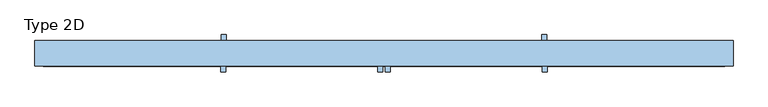
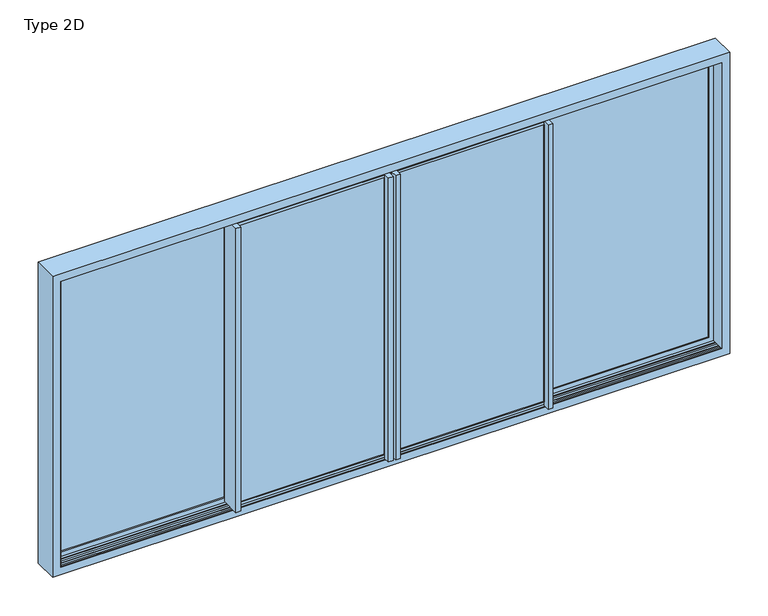
"""IFC4 building model written with IfcOpenShell, lengths in millimetres: window geometry, Type 2D."""

from ifc_helpers import new_model, si_unit, frame, origin, origin_with_axes, place, context, project, spatial, polyline, outline, extrude, faceted_brep, source, transform, mapped, element, save


def type_2d_4e224f77(model_context):
    return source(origin(), model_context, "Body", "SolidModel", [
        extrude(outline(polyline([(2120.2000011, -23.220203), (2120.2000011, -1103.279797), (12.7999989, -1103.279797), (12.7999989, -23.220203), (2120.2000011, -23.220203)]), holes=[polyline([(2101.4202041, -1084.5), (2101.4202041, -42.0), (31.5797959, -42.0), (31.5797959, -1084.5), (2101.4202041, -1084.5)])]), frame((0.0, -17.0, 0.0), z_axis=(0.0, 1.0, 0.0), x_axis=(0.0, 0.0, 1.0)), (0.0, 0.0, 1.0), 7.7200134),
        faceted_brep([(-1115.5, -17.0, -15.1996996), (-1115.5, -17.0, 2148.1996996), (-1115.5, -14.5, 2148.1996996), (-1115.5, -14.5, 2130.2001513), (-1115.5, 47.5000001, 2130.2001513), (-1115.5, 47.5000001, 2148.1996996), (-1115.5, 50.0, 2148.1996996), (-1115.5, 50.0, 2127.2000011), (-1115.5, 69.4999931, 2127.2000011), (-1115.5, 69.4999931, 5.8356019), (-1115.5, 50.0, 5.8356019), (-1115.5, 50.0, -15.1996996), (-1115.5, 47.5000001, -15.1996996), (-1115.5, 47.5000001, 2.7998487), (-1115.5, -14.5, 2.7998487), (-1115.5, -14.5, -15.1996996), (-3.0, -14.5, -15.1996996), (-3.0, -17.0, -15.1996996), (-3.0, -14.5, 2.7998487), (-3.0, 47.5000001, 2.7998487), (-3.0, 47.5000001, -15.1996996), (-3.0, 50.0, -15.1996996), (-1100.0, 50.0, 5.8356019), (-1100.0, 50.0, 2127.2000011), (-3.0, 50.0, 2148.1996996), (-3.0, 50.0, 2127.2000011), (-44.3, 50.0, 2127.2000011), (-44.3, 50.0, 2101.4202041), (-1082.2, 50.0, 2101.4202041), (-1082.2, 50.0, 31.5797959), (-44.3, 50.0, 31.5797959), (-44.3, 50.0, 5.8356019), (-3.0, 50.0, 5.8356019), (-1100.0, 69.4999931, 5.8356019), (-1100.0, 69.4999931, 2127.2000011), (-3.0, -17.0, 2148.1996996), (-1103.279797, -17.0, 12.7999989), (-1103.279797, -17.0, 2120.2000011), (-23.220203, -17.0, 2120.2000011), (-23.220203, -17.0, 12.7999989), (-3.0, 40.0, 5.8356019), (-3.0, 40.0, 2127.2000011), (-3.0, 47.5000001, 2148.1996996), (-3.0, 47.5000001, 2130.2001513), (-3.0, -14.5, 2130.2001513), (-3.0, -14.5, 2148.1996996), (-44.3, 58.2200283, 5.8356019), (0.0, 58.2200283, 5.8356019), (0.0, 40.0, 5.8356019), (-44.3, 40.0, 31.5797959), (-44.3, 40.0, 2101.4202041), (-44.3, 58.2200283, 2127.2000011), (-1082.2, 40.0, 31.5797959), (-1082.2, 40.0, 2101.4202041), (-1103.279797, 40.0, 12.7999989), (-23.220203, 40.0, 12.7999989), (-23.220203, 40.0, 2120.2000011), (-1103.279797, 40.0, 2120.2000011), (0.0, 40.0, 2127.2000011), (0.0, 58.2200283, 2127.2000011)], [[[0, 1, 2, 3, 4, 5, 6, 7, 8, 9, 10, 11, 12, 13, 14, 15]], [[15, 16, 17, 0]], [[14, 18, 16, 15]], [[13, 19, 18, 14]], [[12, 20, 19, 13]], [[11, 21, 20, 12]], [[11, 10, 22, 23, 7, 6, 24, 25, 26, 27, 28, 29, 30, 31, 32, 21]], [[22, 10, 9, 33]], [[34, 33, 9, 8]], [[35, 1, 0, 17], [36, 37, 38, 39]], [[21, 32, 40, 41, 25, 24, 42, 43, 44, 45, 35, 17, 16, 18, 19, 20]], [[40, 32, 31, 46, 47, 48]], [[23, 22, 33, 34]], [[46, 31, 30, 49, 50, 27, 26, 51]], [[52, 49, 30, 29]], [[29, 28, 53, 52]], [[54, 55, 56, 57], [53, 50, 49, 52]], [[54, 57, 37, 36]], [[55, 39, 38, 56]], [[36, 39, 55, 54]], [[8, 7, 23, 34]], [[28, 27, 50, 53]], [[56, 38, 37, 57]], [[1, 35, 45, 2]], [[2, 45, 44, 3]], [[3, 44, 43, 4]], [[4, 43, 42, 5]], [[5, 42, 24, 6]], [[51, 26, 25, 41, 58, 59]], [[59, 47, 46, 51]], [[40, 48, 58, 41]], [[58, 48, 47, 59]]]),
        extrude(outline(polyline([(-23.220203, 40.0), (-23.220203, -9.2799866), (-1103.279797, -9.2799866), (-1103.279797, 40.0), (-23.220203, 40.0)])), frame((0.0, 0.0, 12.7999989), z_axis=(0.0, 0.0, 1.0), x_axis=(1.0, 0.0, 0.0)), (0.0, 0.0, 1.0), 2107.4000022),
        extrude(outline(polyline([(-1084.5, -17.0), (-1084.5, -66.0000069), (-1118.5, -66.0000069), (-1118.5, 69.4999931), (-1115.5, 69.4999931), (-1115.5, -17.0), (-1084.5, -17.0)])), frame((0.0, 0.0, 5.8356019), z_axis=(0.0, 0.0, 1.0), x_axis=(1.0, 0.0, 0.0)), (0.0, 0.0, 1.0), 2121.3643992),
        extrude(outline(polyline([(-42.0, -17.0), (-3.0, -17.0), (-3.0, 40.0), (0.0, 40.0), (0.0, -19.2799717), (-8.0, -19.2799717), (-8.0, -66.0000069), (-42.0, -66.0000069), (-42.0, -17.0)])), frame((0.0, 0.0, 5.8356019), z_axis=(0.0, 0.0, 1.0), x_axis=(1.0, 0.0, 0.0)), (0.0, 0.0, 1.0), 2121.3643992),
        extrude(outline(polyline([(2120.2000011, 1096.720203), (12.7999989, 1096.720203), (12.7999989, 2317.5000011), (2120.2000011, 2317.5000011), (2120.2000011, 1096.720203)]), holes=[polyline([(2101.4202041, 2298.7202041), (31.5797959, 2298.7202041), (31.5797959, 1115.5), (2101.4202041, 1115.5), (2101.4202041, 2298.7202041)])]), frame((0.0, 132.2799866, 0.0), z_axis=(0.0, 1.0, 0.0), x_axis=(0.0, 0.0, 1.0)), (0.0, 0.0, 1.0), 7.7200134),
        faceted_brep([(2298.7202041, 73.0, 31.5797959), (2298.7202041, 83.0, 31.5797959), (1117.8, 83.0, 31.5797959), (1117.8, 73.0, 31.5797959), (1096.720203, 83.0, 12.7999989), (2317.5000011, 83.0, 12.7999989), (2317.5000011, 140.0, 12.7999989), (1096.720203, 140.0, 12.7999989), (1084.5, 137.5, -15.1996996), (1084.5, 140.0, -15.1996996), (2351.599999, 140.0, -15.1996996), (2351.599999, 73.0, -15.1996996), (1084.5, 73.0, -15.1996996), (1084.5, 75.4999999, -15.1996996), (2345.4996996, 75.4999999, -15.1996996), (2345.4996996, 137.5, -15.1996996), (1084.5, 137.5, 2.7998487), (1084.5, 75.4999999, 2.7998487), (1084.5, 73.0, 5.8356019), (1084.5, 53.5000069, 5.8356019), (1084.5, 53.5000069, 2127.2000011), (1084.5, 73.0, 2127.2000011), (1084.5, 73.0, 2148.1996996), (1084.5, 75.4999999, 2148.1996996), (1084.5, 75.4999999, 2130.2001513), (1084.5, 137.5, 2130.2001513), (1084.5, 137.5, 2148.1996996), (1084.5, 140.0, 2148.1996996), (2351.599999, 140.0, 2148.1996996), (2317.5000011, 140.0, 2120.2000011), (1096.720203, 140.0, 2120.2000011), (1100.0, 73.0, 5.8356019), (2351.599999, 73.0, 2148.1996996), (1100.0, 73.0, 2127.2000011), (2298.7202041, 73.0, 2101.4202041), (1117.8, 73.0, 2101.4202041), (2317.5000011, 83.0, 2120.2000011), (1096.720203, 83.0, 2120.2000011), (2298.7202041, 83.0, 2101.4202041), (1117.8, 83.0, 2101.4202041), (2345.4996996, 137.5, 2148.1996996), (2327.5001513, 137.5, 2130.2001513), (2327.5001513, 137.5, 2.7998487), (2327.5001513, 75.4999999, 2.7998487), (2327.5001513, 75.4999999, 2130.2001513), (2345.4996996, 75.4999999, 2148.1996996), (1100.0, 53.5000069, 5.8356019), (1100.0, 53.5000069, 2127.2000011)], [[[0, 1, 2, 3]], [[4, 5, 6, 7]], [[8, 9, 10, 11, 12, 13, 14, 15]], [[9, 8, 16, 17, 13, 12, 18, 19, 20, 21, 22, 23, 24, 25, 26, 27]], [[9, 27, 28, 10], [6, 29, 30, 7]], [[31, 18, 12, 11, 32, 22, 21, 33], [34, 0, 3, 35]], [[36, 5, 4, 37], [1, 38, 39, 2]], [[16, 8, 15, 40, 26, 25, 41, 42]], [[17, 16, 42, 43]], [[13, 17, 43, 44, 24, 23, 45, 14]], [[31, 46, 19, 18]], [[47, 20, 19, 46]], [[0, 34, 38, 1]], [[2, 39, 35, 3]], [[11, 10, 28, 32]], [[31, 33, 47, 46]], [[5, 36, 29, 6]], [[37, 4, 7, 30]], [[15, 14, 45, 40]], [[42, 41, 44, 43]], [[20, 47, 33, 21]], [[23, 22, 32, 28, 27, 26, 40, 45]], [[25, 24, 44, 41]], [[38, 34, 35, 39]], [[29, 36, 37, 30]]]),
        extrude(outline(polyline([(2317.5000011, 83.0), (1096.720203, 83.0), (1096.720203, 132.2799866), (2317.5000011, 132.2799866), (2317.5000011, 83.0)])), frame((0.0, 0.0, 12.7999989), z_axis=(0.0, 0.0, 1.0), x_axis=(1.0, 0.0, 0.0)), (0.0, 0.0, 1.0), 2107.4000022),
        extrude(outline(polyline([(1115.5, 140.0), (1084.5, 140.0), (1084.5, 53.5000069), (1081.5, 53.5000069), (1081.5, 189.0000069), (1115.5, 189.0000069), (1115.5, 140.0)])), frame((0.0, 0.0, 5.8356019), z_axis=(0.0, 0.0, 1.0), x_axis=(1.0, 0.0, 0.0)), (0.0, 0.0, 1.0), 2121.3643992),
        extrude(outline(polyline([(2120.2000011, -1096.720203), (2120.2000011, -2317.5000011), (12.7999989, -2317.5000011), (12.7999989, -1096.720203), (2120.2000011, -1096.720203)]), holes=[polyline([(2101.4202041, -2298.7202041), (2101.4202041, -1115.5), (31.5797959, -1115.5), (31.5797959, -2298.7202041), (2101.4202041, -2298.7202041)])]), frame((0.0, 132.2799866, 0.0), z_axis=(0.0, 1.0, 0.0), x_axis=(0.0, 0.0, 1.0)), (0.0, 0.0, 1.0), 7.7200134),
        faceted_brep([(-2298.7202041, 73.0, 31.5797959), (-1117.8, 73.0, 31.5797959), (-1117.8, 83.0, 31.5797959), (-2298.7202041, 83.0, 31.5797959), (-1096.720203, 83.0, 12.7999989), (-1096.720203, 140.0, 12.7999989), (-2317.5000011, 140.0, 12.7999989), (-2317.5000011, 83.0, 12.7999989), (-1084.5, 137.5, -15.1996996), (-2345.4996996, 137.5, -15.1996996), (-2345.4996996, 75.4999999, -15.1996996), (-1084.5, 75.4999999, -15.1996996), (-1084.5, 73.0, -15.1996996), (-2351.599999, 73.0, -15.1996996), (-2351.599999, 140.0, -15.1996996), (-1084.5, 140.0, -15.1996996), (-1084.5, 140.0, 2148.1996996), (-1084.5, 137.5, 2148.1996996), (-1084.5, 137.5, 2130.2001513), (-1084.5, 75.4999999, 2130.2001513), (-1084.5, 75.4999999, 2148.1996996), (-1084.5, 73.0, 2148.1996996), (-1084.5, 73.0, 2127.2000011), (-1084.5, 53.5000069, 2127.2000011), (-1084.5, 53.5000069, 5.8356019), (-1084.5, 73.0, 5.8356019), (-1084.5, 75.4999999, 2.7998487), (-1084.5, 137.5, 2.7998487), (-2351.599999, 140.0, 2148.1996996), (-1096.720203, 140.0, 2120.2000011), (-2317.5000011, 140.0, 2120.2000011), (-1100.0, 73.0, 5.8356019), (-1100.0, 73.0, 2127.2000011), (-2351.599999, 73.0, 2148.1996996), (-2298.7202041, 73.0, 2101.4202041), (-1117.8, 73.0, 2101.4202041), (-2317.5000011, 83.0, 2120.2000011), (-1096.720203, 83.0, 2120.2000011), (-1117.8, 83.0, 2101.4202041), (-2298.7202041, 83.0, 2101.4202041), (-2327.5001513, 137.5, 2.7998487), (-2327.5001513, 137.5, 2130.2001513), (-2345.4996996, 137.5, 2148.1996996), (-2327.5001513, 75.4999999, 2.7998487), (-2345.4996996, 75.4999999, 2148.1996996), (-2327.5001513, 75.4999999, 2130.2001513), (-1100.0, 53.5000069, 5.8356019), (-1100.0, 53.5000069, 2127.2000011)], [[[0, 1, 2, 3]], [[4, 5, 6, 7]], [[8, 9, 10, 11, 12, 13, 14, 15]], [[15, 16, 17, 18, 19, 20, 21, 22, 23, 24, 25, 12, 11, 26, 27, 8]], [[15, 14, 28, 16], [6, 5, 29, 30]], [[31, 32, 22, 21, 33, 13, 12, 25], [34, 35, 1, 0]], [[36, 37, 4, 7], [3, 2, 38, 39]], [[27, 40, 41, 18, 17, 42, 9, 8]], [[26, 43, 40, 27]], [[11, 10, 44, 20, 19, 45, 43, 26]], [[31, 25, 24, 46]], [[47, 46, 24, 23]], [[0, 3, 39, 34]], [[2, 1, 35, 38]], [[13, 33, 28, 14]], [[31, 46, 47, 32]], [[7, 6, 30, 36]], [[37, 29, 5, 4]], [[9, 42, 44, 10]], [[40, 43, 45, 41]], [[23, 22, 32, 47]], [[20, 44, 42, 17, 16, 28, 33, 21]], [[18, 41, 45, 19]], [[39, 38, 35, 34]], [[30, 29, 37, 36]]]),
        extrude(outline(polyline([(-2317.5000011, 83.0), (-2317.5000011, 132.2799866), (-1096.720203, 132.2799866), (-1096.720203, 83.0), (-2317.5000011, 83.0)])), frame((0.0, 0.0, 12.7999989), z_axis=(0.0, 0.0, 1.0), x_axis=(1.0, 0.0, 0.0)), (0.0, 0.0, 1.0), 2107.4000022),
        extrude(outline(polyline([(-1115.5, 140.0), (-1115.5, 189.0000069), (-1081.5, 189.0000069), (-1081.5, 53.5000069), (-1084.5, 53.5000069), (-1084.5, 140.0), (-1115.5, 140.0)])), frame((0.0, 0.0, 5.8356019), z_axis=(0.0, 0.0, 1.0), x_axis=(1.0, 0.0, 0.0)), (0.0, 0.0, 1.0), 2121.3643992),
        extrude(outline(polyline([(2120.2000011, 23.220203), (12.7999989, 23.220203), (12.7999989, 1103.279797), (2120.2000011, 1103.279797), (2120.2000011, 23.220203)]), holes=[polyline([(2101.4202041, 1084.5), (31.5797959, 1084.5), (31.5797959, 42.0), (2101.4202041, 42.0), (2101.4202041, 1084.5)])]), frame((0.0, -17.0, 0.0), z_axis=(0.0, 1.0, 0.0), x_axis=(0.0, 0.0, 1.0)), (0.0, 0.0, 1.0), 7.7200134),
        faceted_brep([(1115.5, -17.0, -15.1996996), (1115.5, -14.5, -15.1996996), (1115.5, -14.5, 2.7998487), (1115.5, 47.5000001, 2.7998487), (1115.5, 47.5000001, -15.1996996), (1115.5, 50.0, -15.1996996), (1115.5, 50.0, 5.8356019), (1115.5, 69.4999931, 5.8356019), (1115.5, 69.4999931, 2127.2000011), (1115.5, 50.0, 2127.2000011), (1115.5, 50.0, 2148.1996996), (1115.5, 47.5000001, 2148.1996996), (1115.5, 47.5000001, 2130.2001513), (1115.5, -14.5, 2130.2001513), (1115.5, -14.5, 2148.1996996), (1115.5, -17.0, 2148.1996996), (3.0, -17.0, -15.1996996), (3.0, -14.5, -15.1996996), (3.0, -14.5, 2.7998487), (3.0, 47.5000001, 2.7998487), (3.0, 47.5000001, -15.1996996), (3.0, 50.0, -15.1996996), (3.0, 50.0, 5.8356019), (44.3, 50.0, 5.8356019), (44.3, 50.0, 31.5797959), (1082.2, 50.0, 31.5797959), (1082.2, 50.0, 2101.4202041), (44.3, 50.0, 2101.4202041), (44.3, 50.0, 2127.2000011), (3.0, 50.0, 2127.2000011), (3.0, 50.0, 2148.1996996), (1100.0, 50.0, 2127.2000011), (1100.0, 50.0, 5.8356019), (1100.0, 69.4999931, 5.8356019), (1100.0, 69.4999931, 2127.2000011), (3.0, -17.0, 2148.1996996), (1103.279797, -17.0, 12.7999989), (23.220203, -17.0, 12.7999989), (23.220203, -17.0, 2120.2000011), (1103.279797, -17.0, 2120.2000011), (3.0, -14.5, 2148.1996996), (3.0, -14.5, 2130.2001513), (3.0, 47.5000001, 2130.2001513), (3.0, 47.5000001, 2148.1996996), (3.0, 40.0, 2127.2000011), (3.0, 40.0, 5.8356019), (0.0, 40.0, 5.8356019), (0.0, 58.2200283, 5.8356019), (44.3, 58.2200283, 5.8356019), (44.3, 58.2200283, 2127.2000011), (44.3, 40.0, 2101.4202041), (44.3, 40.0, 31.5797959), (1082.2, 40.0, 31.5797959), (1082.2, 40.0, 2101.4202041), (1103.279797, 40.0, 12.7999989), (1103.279797, 40.0, 2120.2000011), (23.220203, 40.0, 2120.2000011), (23.220203, 40.0, 12.7999989), (0.0, 58.2200283, 2127.2000011), (0.0, 40.0, 2127.2000011)], [[[0, 1, 2, 3, 4, 5, 6, 7, 8, 9, 10, 11, 12, 13, 14, 15]], [[1, 0, 16, 17]], [[2, 1, 17, 18]], [[3, 2, 18, 19]], [[4, 3, 19, 20]], [[5, 4, 20, 21]], [[5, 21, 22, 23, 24, 25, 26, 27, 28, 29, 30, 10, 9, 31, 32, 6]], [[32, 33, 7, 6]], [[34, 8, 7, 33]], [[35, 16, 0, 15], [36, 37, 38, 39]], [[21, 20, 19, 18, 17, 16, 35, 40, 41, 42, 43, 30, 29, 44, 45, 22]], [[45, 46, 47, 48, 23, 22]], [[31, 34, 33, 32]], [[48, 49, 28, 27, 50, 51, 24, 23]], [[52, 25, 24, 51]], [[25, 52, 53, 26]], [[54, 55, 56, 57], [53, 52, 51, 50]], [[54, 36, 39, 55]], [[57, 56, 38, 37]], [[36, 54, 57, 37]], [[8, 34, 31, 9]], [[26, 53, 50, 27]], [[56, 55, 39, 38]], [[15, 14, 40, 35]], [[14, 13, 41, 40]], [[13, 12, 42, 41]], [[12, 11, 43, 42]], [[11, 10, 30, 43]], [[49, 58, 59, 44, 29, 28]], [[58, 49, 48, 47]], [[45, 44, 59, 46]], [[59, 58, 47, 46]]]),
        extrude(outline(polyline([(23.220203, 40.0), (1103.279797, 40.0), (1103.279797, -9.2799866), (23.220203, -9.2799866), (23.220203, 40.0)])), frame((0.0, 0.0, 12.7999989), z_axis=(0.0, 0.0, 1.0), x_axis=(1.0, 0.0, 0.0)), (0.0, 0.0, 1.0), 2107.4000022),
        extrude(outline(polyline([(1084.5, -17.0), (1115.5, -17.0), (1115.5, 69.4999931), (1118.5, 69.4999931), (1118.5, -66.0000069), (1084.5, -66.0000069), (1084.5, -17.0)])), frame((0.0, 0.0, 5.8356019), z_axis=(0.0, 0.0, 1.0), x_axis=(1.0, 0.0, 0.0)), (0.0, 0.0, 1.0), 2121.3643992),
        extrude(outline(polyline([(42.0, -17.0), (42.0, -66.0000069), (8.0, -66.0000069), (8.0, -19.2799717), (0.0, -19.2799717), (0.0, 40.0), (3.0, 40.0), (3.0, -17.0), (42.0, -17.0)])), frame((0.0, 0.0, 5.8356019), z_axis=(0.0, 0.0, 1.0), x_axis=(1.0, 0.0, 0.0)), (0.0, 0.0, 1.0), 2121.3643992),
        extrude(outline(polyline([(2333.0, 69.5), (2333.0, 53.5), (2363.5, 53.5), (2363.5, 44.65), (2333.0, 44.65), (2333.0, -11.65), (2363.5, -11.65), (2363.5, -20.5), (2333.0, -20.5), (2333.0, -27.0), (2331.3, -27.0), (2331.3, 69.5), (2333.0, 69.5)])), origin_with_axes(), (0.0, 0.0, 1.0), 2133.0),
        extrude(outline(polyline([(-2333.0, 69.5), (-2331.3, 69.5), (-2331.3, -27.0), (-2333.0, -27.0), (-2333.0, -20.5), (-2363.5, -20.5), (-2363.5, -11.65), (-2333.0, -11.65), (-2333.0, 44.65), (-2363.5, 44.65), (-2363.5, 53.5), (-2333.0, 53.5), (-2333.0, 69.5)])), origin_with_axes(), (0.0, 0.0, 1.0), 2133.0),
        faceted_brep([(-2390.0, -27.0, 2190.0), (-2390.0, 150.0, 2190.0), (-2390.0, 150.0, -57.0), (-2390.0, -27.0, -57.0), (2390.0, 150.0, -57.0), (2390.0, -27.0, -57.0), (2390.0, 150.0, 2190.0), (2333.0, 150.0, 0.0), (2333.0, 150.0, 2133.0), (-2333.0, 150.0, 2133.0), (-2333.0, 150.0, 0.0), (2390.0, -27.0, 2190.0), (-2333.0, -27.0, 0.0), (-2333.0, -27.0, 2133.0), (2333.0, -27.0, 2133.0), (2333.0, -27.0, 0.0), (-2333.0, -20.5, 2133.0), (-2333.0, -20.5, 0.0), (2333.0, -20.5, 0.0), (2333.0, -20.5, 2133.0), (-2363.5, -20.5, -30.5), (-2363.5, -20.5, 2163.5), (2363.5, -20.5, 2163.5), (2363.5, -20.5, -30.5), (-2363.5, 53.5, 2163.5), (-2363.5, 53.5, -30.5), (2363.5, 53.5, -30.5), (2363.5, 53.5, 2163.5), (-2333.0, 53.5, 0.0), (-2333.0, 53.5, 2133.0), (2333.0, 53.5, 2133.0), (2333.0, 53.5, 0.0), (-2333.0, 69.5, 2133.0), (-2333.0, 69.5, 0.0), (2333.0, 69.5, 0.0), (2333.0, 69.5, 2133.0), (-2363.5, 69.5, -30.5), (-2363.5, 69.5, 2163.5), (2363.5, 69.5, 2163.5), (2363.5, 69.5, -30.5), (-2363.5, 143.5, 2163.5), (-2363.5, 143.5, -30.5), (2363.5, 143.5, -30.5), (2363.5, 143.5, 2163.5), (-2333.0, 143.5, 0.0), (-2333.0, 143.5, 2133.0), (2333.0, 143.5, 2133.0), (2333.0, 143.5, 0.0)], [[[0, 1, 2, 3]], [[3, 2, 4, 5]], [[2, 1, 6, 4], [7, 8, 9, 10]], [[5, 4, 6, 11]], [[5, 11, 0, 3], [12, 13, 14, 15]], [[16, 13, 12, 17]], [[17, 12, 15, 18]], [[18, 15, 14, 19]], [[20, 21, 22, 23], [18, 19, 16, 17]], [[24, 21, 20, 25]], [[25, 20, 23, 26]], [[26, 23, 22, 27]], [[26, 27, 24, 25], [28, 29, 30, 31]], [[32, 29, 28, 33]], [[33, 28, 31, 34]], [[34, 31, 30, 35]], [[36, 37, 38, 39], [34, 35, 32, 33]], [[40, 37, 36, 41]], [[41, 36, 39, 42]], [[42, 39, 38, 43]], [[42, 43, 40, 41], [44, 45, 46, 47]], [[9, 45, 44, 10]], [[10, 44, 47, 7]], [[7, 47, 46, 8]], [[11, 6, 1, 0]], [[19, 14, 13, 16]], [[27, 22, 21, 24]], [[35, 30, 29, 32]], [[43, 38, 37, 40]], [[8, 46, 45, 9]]]),
        extrude(outline(polyline([(80.0, -30.5), (80.0, -0.2), (96.2954822, -0.2), (106.5, -4.9584448), (116.7045178, -0.2), (133.0, -0.2), (133.0, -30.5), (80.0, -30.5)])), frame((-2363.5, 0.0, 0.0), z_axis=(1.0, 0.0, 0.0), x_axis=(0.0, 1.0, 0.0)), (0.0, 0.0, 1.0), 4727.0),
        extrude(outline(polyline([(43.0, -30.5), (-10.0, -30.5), (-10.0, -0.2), (6.2954822, -0.2), (16.5, -4.9584448), (26.7045178, -0.2), (43.0, -0.2), (43.0, -30.5)])), frame((-2363.5, 0.0, 0.0), z_axis=(1.0, 0.0, 0.0), x_axis=(0.0, 1.0, 0.0)), (0.0, 0.0, 1.0), 4727.0),
    ])


if __name__ == "__main__":
    model = new_model("IFC4")
    model_context = context("Model", 3, world=origin())
    ifc_project = project(units=[si_unit("LENGTHUNIT", "METRE", prefix="MILLI")], contexts=[model_context])
    site = spatial("IfcSite", under=ifc_project)
    building = spatial("IfcBuilding", under=site)
    placement = place(None, origin())
    type_2d_shape = type_2d_4e224f77(model_context)
    element("IfcWindow", 1, ObjectType="Type 2D", at=placement, inside=building, context=model_context, shape_type="MappedRepresentation", body=[
        mapped(type_2d_shape, transform((0.0, 0.0, 0.0), x_axis=(1.0, 0.0, 0.0), y_axis=(0.0, 1.0, 0.0), z_axis=(0.0, 0.0, 1.0))),
    ])
    save(model, "model.ifc")
